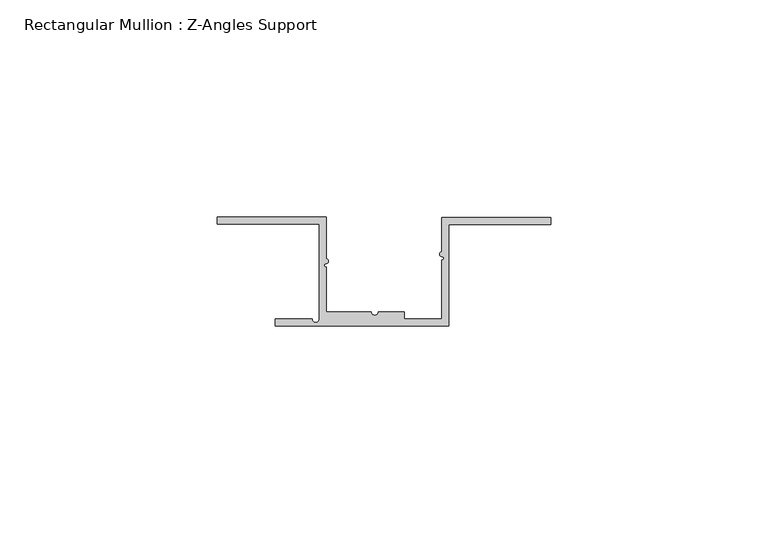
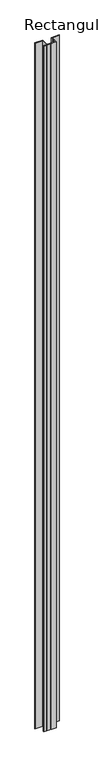
"""IFC4 building model written with IfcOpenShell, lengths in millimetres: member geometry, Rectangular Mullion : Z-Angles Support."""

from ifc_helpers import new_model, si_unit, point, frame, frame_2d, origin, place, context, project, spatial, polyline, circle_curve, trimmed, segment, composite_curve, outline, extrude, source, transform, mapped, element, save


def rectangular_mullion_z_angles_support_0638efca(model_context):
    return source(origin(), model_context, "Body", "SweptSolid", [
        extrude(outline(composite_curve([segment(polyline([(-8.2822457, 25.0804186), (-8.2822457, 15.4942032)]), True, "CONTINUOUS"), segment(trimmed(circle_curve(frame_2d((-8.2822457, 14.9339397)), 0.5602635), [point((-8.2822457, 15.4942032))], [point((-8.2822457, 14.3736763))], False, "CARTESIAN"), True, "CONTINUOUS"), segment(trimmed(circle_curve(frame_2d((-8.2822457, 13.9621553)), 0.411521), [point((-8.2822457, 14.3736763))], [point((-8.2822457, 13.5506343))], True, "CARTESIAN"), True, "CONTINUOUS"), segment(polyline([(-8.2822457, 13.5506343), (-8.2822457, 3.2804186), (2.1247985, 3.2804186)]), True, "CONTINUOUS"), segment(trimmed(circle_curve(frame_2d((2.9247985, 3.2804186)), 0.8), [point((2.1247985, 3.2804186))], [point((3.7247985, 3.2804186))], True, "CARTESIAN"), True, "CONTINUOUS"), segment(polyline([(3.7247985, 3.2804186), (9.7177543, 3.2804186), (9.7177543, 1.6), (18.4, 1.6), (18.4, 15.1583216)]), True, "CONTINUOUS"), segment(trimmed(circle_curve(frame_2d((18.4, 15.5698425)), 0.411521), [point((18.4, 15.1583216))], [point((18.4, 15.9813635))], True, "CARTESIAN"), True, "CONTINUOUS"), segment(trimmed(circle_curve(frame_2d((18.4, 16.541627)), 0.5602635), [point((18.4, 15.9813635))], [point((18.4, 17.1018905))], False, "CARTESIAN"), True, "CONTINUOUS"), segment(polyline([(18.4, 17.1018905), (18.4, 25.0), (43.4, 25.0), (43.4, 23.4), (20.0, 23.4), (20.0, 0.0), (-20.0, 0.0), (-20.0, 1.6), (-11.4572315, 1.6)]), True, "CONTINUOUS"), segment(trimmed(circle_curve(frame_2d((-10.6572315, 1.6)), 0.8), [point((-11.4572315, 1.6))], [point((-9.8822457, 1.7984868))], True, "CARTESIAN"), True, "CONTINUOUS"), segment(polyline([(-9.8822457, 1.7984868), (-9.8822457, 23.4804186), (-33.2822457, 23.4804186), (-33.2822457, 25.0804186), (-8.2822457, 25.0804186)]), True, "CONTINUOUS")], self_intersect=False)), frame((0.0, 0.0, -2300.0), z_axis=(0.0, 0.0, 1.0), x_axis=(1.0, 0.0, 0.0)), (0.0, 0.0, 1.0), 2300.0),
    ])


if __name__ == "__main__":
    model = new_model("IFC4")
    model_context = context("Model", 3, world=origin())
    ifc_project = project(units=[si_unit("LENGTHUNIT", "METRE", prefix="MILLI")], contexts=[model_context])
    site = spatial("IfcSite", under=ifc_project)
    building = spatial("IfcBuilding", under=site)
    placement = place(None, origin())
    rectangular_mullion_z_angles_support_shape = rectangular_mullion_z_angles_support_0638efca(model_context)
    element("IfcMember", 1, ObjectType="Rectangular Mullion : Z-Angles Support", at=placement, inside=building, context=model_context, shape_type="MappedRepresentation", body=[
        mapped(rectangular_mullion_z_angles_support_shape, transform((0.0, 0.0, 0.0), x_axis=(1.0, 0.0, 0.0), y_axis=(0.0, 1.0, 0.0), z_axis=(0.0, 0.0, 1.0))),
    ])
    save(model, "model.ifc")
